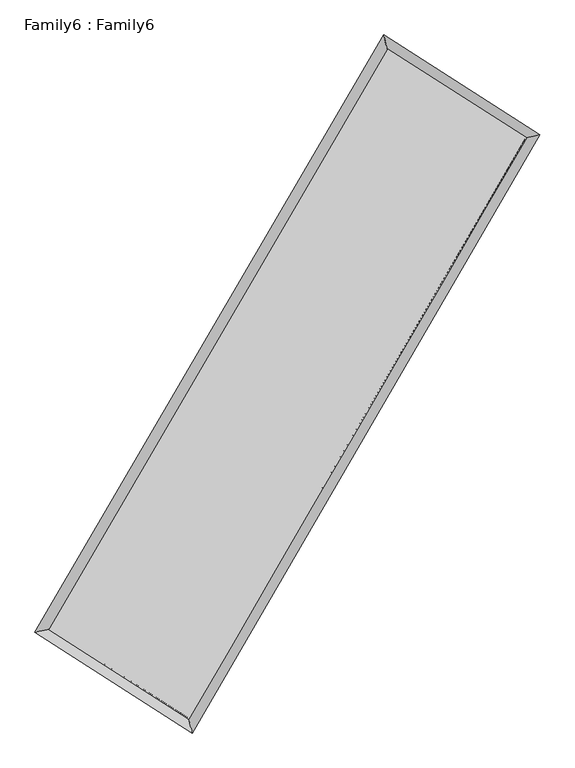
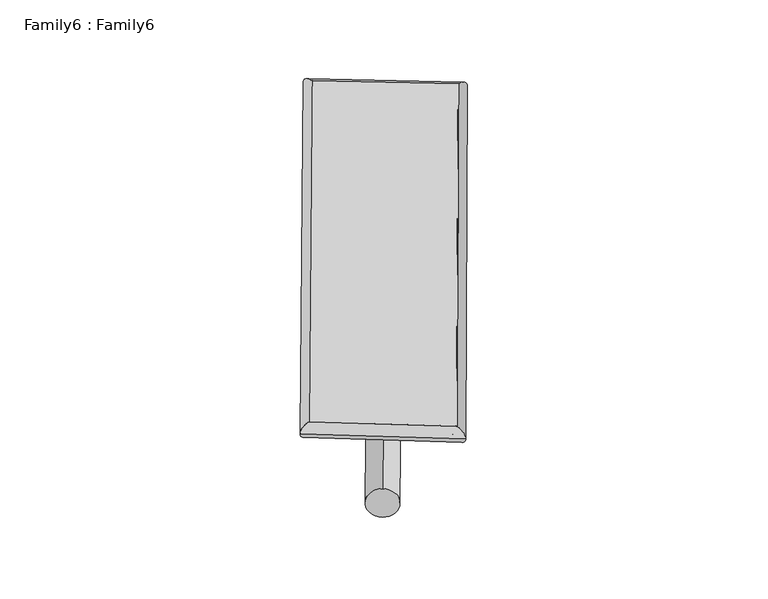
"""IFC4 building model written with IfcOpenShell, lengths in millimetres: plate geometry, Family6 : Family6."""

import ifcopenshell
import ifcopenshell.guid

model = None  # the IFC model being written
_history = None  # IfcOwnerHistory: only IFC2X3 demands one
_inside = {}  # id of a spatial element -> (the spatial element, [elements in it])
_under = {}  # id of a project, library or spatial element -> (it, [spatial elements below it])
_declared = {}  # id of a project -> (the project, [libraries it declares])
_typed = {}  # id of a type object -> (the type object, [elements of that type])
_made_of = {}  # id of a material, layer set ... -> (it, [elements and type objects made of it])


def new_model(schema):
    """Start an empty IFC model of exactly this schema.

    Asked for "IFC4X3", IfcOpenShell would pick the latest addendum, in which some entities
    have other attributes; the version numbers below select the first issue.
    IFC2X3 requires an IfcOwnerHistory on every rooted entity: one is made here for all.
    """
    global model, _history
    if schema == "IFC4X3":
        model = ifcopenshell.file(schema_version=(4, 3, 0, 0))
    else:
        model = ifcopenshell.file(schema=schema)
    _inside.clear()
    _under.clear()
    _declared.clear()
    _typed.clear()
    _made_of.clear()
    _history = None
    if model.schema == "IFC2X3":
        org = make("IfcOrganization", Name="unknown")
        user = make(
            "IfcPersonAndOrganization",
            ThePerson=make("IfcPerson", FamilyName="unknown"),
            TheOrganization=org,
        )
        app = make(
            "IfcApplication",
            ApplicationDeveloper=org,
            Version="unknown",
            ApplicationFullName="unknown",
            ApplicationIdentifier="unknown",
        )
        _history = make(
            "IfcOwnerHistory",
            OwningUser=user,
            OwningApplication=app,
            ChangeAction="ADDED",
            CreationDate=0,
        )
    return model


def make(cls, **values):
    """One entity of the class cls with the attributes given. An attribute that is None is left unset."""
    return model.create_entity(
        cls, **{name: value for name, value in values.items() if value is not None}
    )


def rooted(cls, **values):
    """An entity with a GlobalId (a new one), such as an element, a storey or a relation."""
    return make(cls, GlobalId=ifcopenshell.guid.new(), OwnerHistory=_history, **values)


def si_unit(unit_type, name, prefix=None):
    """IfcSIUnit, for example si_unit("LENGTHUNIT", "METRE", prefix="MILLI")."""
    return make("IfcSIUnit", UnitType=unit_type, Prefix=prefix, Name=name)


def assignment(units):
    """IfcUnitAssignment: the units of a project."""
    return None if units is None else make("IfcUnitAssignment", Units=units)


def point(xyz):
    """IfcCartesianPoint."""
    return None if xyz is None else make("IfcCartesianPoint", Coordinates=xyz)


def direction(xyz):
    """IfcDirection."""
    return None if xyz is None else make("IfcDirection", DirectionRatios=xyz)


def frame(location, z_axis=None, x_axis=None):
    """IfcAxis2Placement3D, a coordinate frame: its origin and axes. An axis left out is left unset."""
    return make(
        "IfcAxis2Placement3D",
        Location=point(location),
        Axis=direction(z_axis),
        RefDirection=direction(x_axis),
    )


def frame_2d(location, x_axis=None):
    """IfcAxis2Placement2D, a coordinate frame in the plane: its origin and x axis."""
    return make(
        "IfcAxis2Placement2D", Location=point(location), RefDirection=direction(x_axis)
    )


def origin():
    """The frame at (0, 0, 0) with its axes left unset."""
    return frame((0.0, 0.0, 0.0))


def origin_2d():
    """The frame at (0, 0) in the plane with its x axis left unset."""
    return frame_2d((0.0, 0.0))


def place(relative_to, where):
    """IfcLocalPlacement: puts the frame where relative to a parent placement (None: the world)."""
    return make(
        "IfcLocalPlacement", PlacementRelTo=relative_to, RelativePlacement=where
    )


def context(
    kind, dimensions, precision=None, world=None, true_north=None, identifier=None
):
    """IfcGeometricRepresentationContext, for example the 3D "Model" context."""
    return make(
        "IfcGeometricRepresentationContext",
        ContextIdentifier=identifier,
        ContextType=kind,
        CoordinateSpaceDimension=dimensions,
        Precision=precision,
        WorldCoordinateSystem=world,
        TrueNorth=true_north,
    )


def project(units=None, contexts=None):
    """IfcProject with its units and contexts."""
    return rooted(
        "IfcProject",
        Name="project",
        RepresentationContexts=contexts,
        UnitsInContext=assignment(units),
    )


def spatial(cls, under=None, at=None, **own):
    """A site, building, storey or space (cls), placed at a placement, below another one or the project."""
    s = rooted(cls, ObjectPlacement=at, **own)
    if under is not None:
        _under.setdefault(under.id(), (under, []))[1].append(s)
    return s


def circle_curve(where, radius):
    """IfcCircle in the frame where."""
    return make("IfcCircle", Position=where, Radius=radius)


def ellipse_curve(where, semi_axis1, semi_axis2):
    """IfcEllipse in the frame where."""
    return make(
        "IfcEllipse", Position=where, SemiAxis1=semi_axis1, SemiAxis2=semi_axis2
    )


def trimmed(basis, trim1, trim2, sense, master):
    """IfcTrimmedCurve: the piece of a basis curve between two trims."""
    return make(
        "IfcTrimmedCurve",
        BasisCurve=basis,
        Trim1=trim1,
        Trim2=trim2,
        SenseAgreement=sense,
        MasterRepresentation=master,
    )


def segment(curve, same_sense, transition):
    """IfcCompositeCurveSegment."""
    return make(
        "IfcCompositeCurveSegment",
        Transition=transition,
        SameSense=same_sense,
        ParentCurve=curve,
    )


def composite_curve(segments, self_intersect=None):
    """IfcCompositeCurve: segments joined end to end."""
    return make("IfcCompositeCurve", Segments=segments, SelfIntersect=self_intersect)


def outline(outer, holes=None, kind="AREA"):
    """IfcArbitraryClosedProfileDef: a profile drawn as a closed curve; with holes, ...WithVoids."""
    if holes is None:
        return make("IfcArbitraryClosedProfileDef", ProfileType=kind, OuterCurve=outer)
    return make(
        "IfcArbitraryProfileDefWithVoids",
        ProfileType=kind,
        OuterCurve=outer,
        InnerCurves=holes,
    )


def extrude(swept, where, along, depth):
    """IfcExtrudedAreaSolid: the profile swept, set in the frame where, extruded along a direction by depth."""
    return make(
        "IfcExtrudedAreaSolid",
        SweptArea=swept,
        Position=where,
        ExtrudedDirection=direction(along),
        Depth=depth,
    )


def shape(context_of_items, identifier, shape_type, items):
    """IfcShapeRepresentation: the items that make up one representation, for example the "Body"."""
    return make(
        "IfcShapeRepresentation",
        ContextOfItems=context_of_items,
        RepresentationIdentifier=identifier,
        RepresentationType=shape_type,
        Items=items,
    )


def source(mapping_origin, context_of_items, identifier, shape_type, items):
    """IfcRepresentationMap: a shape defined once, which mapped items show again and again."""
    return make(
        "IfcRepresentationMap",
        MappingOrigin=mapping_origin,
        MappedRepresentation=shape(context_of_items, identifier, shape_type, items),
    )


def transform(
    local_origin,
    x_axis=None,
    y_axis=None,
    z_axis=None,
    scale=None,
    scale2=None,
    scale3=None,
    uniform=True,
):
    """IfcCartesianTransformationOperator3D, or its non-uniform kind. x_axis, y_axis, z_axis: its Axis1, 2, 3."""
    if uniform:
        return make(
            "IfcCartesianTransformationOperator3D",
            Axis1=direction(x_axis),
            Axis2=direction(y_axis),
            LocalOrigin=point(local_origin),
            Scale=scale,
            Axis3=direction(z_axis),
        )
    return make(
        "IfcCartesianTransformationOperator3DnonUniform",
        Axis1=direction(x_axis),
        Axis2=direction(y_axis),
        LocalOrigin=point(local_origin),
        Scale=scale,
        Axis3=direction(z_axis),
        Scale2=scale2,
        Scale3=scale3,
    )


def mapped(mapping_source, mapping_target):
    """IfcMappedItem: shows the shape of a source again, moved by a transform."""
    return make(
        "IfcMappedItem", MappingSource=mapping_source, MappingTarget=mapping_target
    )


def made_of(thing, what):
    """Note that an element or type object is made of a material, layer set ...; save() writes the relation."""
    if what is not None:
        _made_of.setdefault(what.id(), (what, []))[1].append(thing)
    return thing


def element(
    cls,
    number,
    at=None,
    inside=None,
    cuts=None,
    type_object=None,
    material=None,
    context=None,
    identifier="Body",
    shape_type=None,
    held_by="IfcProductDefinitionShape",
    body=None,
    shapes=None,
    **own,
):
    """One element of the class cls, such as IfcWall. Its Tag is "e" and its number.

    at: its placement. inside: the storey or other place that contains it. cuts: it is an
    opening in that element (IfcRelVoidsElement). A single representation is given by context,
    identifier, shape_type and body (its items); several are given by shapes. held_by: the class
    of the entity that holds the representations. save() writes the other relations.
    """
    e = rooted(cls, Tag="e%d" % number, ObjectPlacement=at, **own)
    if body is not None:
        shapes = [shape(context, identifier, shape_type, body)]
    if shapes is not None:
        e.Representation = make(held_by, Representations=shapes)
    if inside is not None:
        _inside.setdefault(inside.id(), (inside, []))[1].append(e)
    if cuts is not None:
        rooted(
            "IfcRelVoidsElement", RelatingBuildingElement=cuts, RelatedOpeningElement=e
        )
    if type_object is not None:
        _typed.setdefault(type_object.id(), (type_object, []))[1].append(e)
    return made_of(e, material)


def aggregate(whole, parts):
    """IfcRelAggregates: a whole, such as a stair, and the parts it consists of."""
    return rooted("IfcRelAggregates", RelatingObject=whole, RelatedObjects=parts)


def save(model, path):
    """Write the relations noted so far, then the file.

    IfcRelAggregates (storeys below a building ...), IfcRelContainedInSpatialStructure (elements
    in a storey), IfcRelDefinesByType, IfcRelAssociatesMaterial and IfcRelDeclares: one each for
    every whole, place, type object, material and project.
    """
    for whole, parts in _under.values():
        aggregate(whole, parts)
    for where, things in _inside.values():
        rooted(
            "IfcRelContainedInSpatialStructure",
            RelatedElements=things,
            RelatingStructure=where,
        )
    for kind, things in _typed.values():
        rooted("IfcRelDefinesByType", RelatedObjects=things, RelatingType=kind)
    for what, things in _made_of.values():
        rooted("IfcRelAssociatesMaterial", RelatedObjects=things, RelatingMaterial=what)
    for by, libraries in _declared.values():
        rooted("IfcRelDeclares", RelatingContext=by, RelatedDefinitions=libraries)
    model.write(path)


def plane_surface(at):
    """IfcPlane: the flat surface through the origin of the frame at, square to its z axis."""
    return make("IfcPlane", Position=at)


def cylinder_surface(at, radius):
    """IfcCylindricalSurface: all points at the distance radius from the z axis of the frame at."""
    return make("IfcCylindricalSurface", Position=at, Radius=radius)


def spline_surface(u_degree, v_degree, points, u_multiplicities, v_multiplicities, u_knots, v_knots, weights=None):
    """IfcBSplineSurfaceWithKnots; with weights, IfcRationalBSplineSurfaceWithKnots. points: one row for each step in u."""
    own = dict(
        UDegree=u_degree,
        VDegree=v_degree,
        ControlPointsList=[[point(p) for p in row] for row in points],
        SurfaceForm="UNSPECIFIED",
        UClosed=False,
        VClosed=False,
        SelfIntersect=False,
        UMultiplicities=u_multiplicities,
        VMultiplicities=v_multiplicities,
        UKnots=u_knots,
        VKnots=v_knots,
        KnotSpec="UNSPECIFIED",
    )
    if weights is None:
        return make("IfcBSplineSurfaceWithKnots", **own)
    return make("IfcRationalBSplineSurfaceWithKnots", WeightsData=weights, **own)


def advanced_brep(points, edges, surfaces, faces):
    """IfcAdvancedBrep: a solid bounded by faces that lie on surfaces and meet in shared edges.

    An edge is (start, end): straight between two places in points (the first is 0);
    or (start, end, curve); or (start, end, curve, False) where it runs against its curve.
    A face is (place in surfaces, loops), or (place, loops, False) where it looks against
    its surface's normal. A loop lists edges by number (the first is 1), with a minus sign
    where the edge is run from its end to its start. The first loop is the outer one.
    """
    corners = [point(p) for p in points]
    vertices = [make("IfcVertexPoint", VertexGeometry=c) for c in corners]
    made = []
    for start, end, *more in edges:
        made.append(
            make(
                "IfcEdgeCurve",
                EdgeStart=vertices[start],
                EdgeEnd=vertices[end],
                EdgeGeometry=more[0] if more else make("IfcPolyline", Points=[corners[start], corners[end]]),
                SameSense=more[1] if len(more) > 1 else True,
            )
        )
    hull = []
    for where, loops, *sense in faces:
        bounds = []
        for j, loop in enumerate(loops):
            ring = [make("IfcOrientedEdge", EdgeElement=made[abs(k) - 1], Orientation=k > 0) for k in loop]
            bounds.append(
                make(
                    "IfcFaceOuterBound" if j == 0 else "IfcFaceBound",
                    Bound=make("IfcEdgeLoop", EdgeList=ring),
                    Orientation=True,
                )
            )
        hull.append(make("IfcAdvancedFace", Bounds=bounds, FaceSurface=surfaces[where], SameSense=sense[0] if sense else True))
    return make("IfcAdvancedBrep", Outer=make("IfcClosedShell", CfsFaces=hull))


def family6_family6_60cc4148(model_context):
    return source(origin(), model_context, "Body", "SolidModel", [
        extrude(outline(composite_curve([segment(trimmed(circle_curve(origin_2d(), 76.2), [point((-75.4341514, -10.7763073))], [point((75.4341514, 10.7763073))], False, "CARTESIAN"), True, "CONTINUOUS"), segment(trimmed(circle_curve(origin_2d(), 76.2), [point((75.4341514, 10.7763073))], [point((-75.4341514, -10.7763073))], False, "CARTESIAN"), True, "CONTINUOUS")], self_intersect=False)), frame((9144.0, 9144.0, 0.0), z_axis=(0.6697360267739774, 0.6892470654236688, 0.27639127563269317), x_axis=(-0.6814511566897509, 0.7183329946310508, -0.14007865601363922)), (0.0, 0.0, 1.0), 5532.2531619),
        extrude(outline(composite_curve([segment(trimmed(circle_curve(origin_2d(), 76.2), [point((-53.8815368, 53.8815368))], [point((53.8815368, -53.8815368))], False, "CARTESIAN"), True, "CONTINUOUS"), segment(trimmed(circle_curve(origin_2d(), 76.2), [point((53.8815368, -53.8815368))], [point((-53.8815368, 53.8815368))], False, "CARTESIAN"), True, "CONTINUOUS")], self_intersect=False)), frame((9144.0, 9144.0, 0.0), z_axis=(-0.6711611092395438, -0.6878750001850447, 0.2763525819759429), x_axis=(0.6439600099315682, -0.3563236712651016, 0.6770147316750902)), (0.0, 0.0, 1.0), 5533.121151),
        extrude(outline(composite_curve([segment(trimmed(circle_curve(origin_2d(), 76.2), [point((-53.8815367, -53.8815367))], [point((53.8815367, 53.8815367))], False, "CARTESIAN"), True, "CONTINUOUS"), segment(trimmed(circle_curve(origin_2d(), 76.2), [point((53.8815367, 53.8815367))], [point((-53.8815367, -53.8815367))], False, "CARTESIAN"), True, "CONTINUOUS")], self_intersect=False)), frame((9144.0, 9144.0, 0.0), z_axis=(0.27377610290664495, 0.9232757798221881, 0.26945960712318373), x_axis=(-0.8395062865746822, 0.36611092284026453, -0.40148721894804784)), (0.0, 0.0, 1.0), 5626.0515077),
        extrude(outline(composite_curve([segment(trimmed(circle_curve(origin_2d(), 76.2), [point((-75.4341514, 10.7763074))], [point((75.4341514, -10.7763074))], False, "CARTESIAN"), True, "CONTINUOUS"), segment(trimmed(circle_curve(origin_2d(), 76.2), [point((75.4341514, -10.7763074))], [point((-75.4341514, 10.7763074))], False, "CARTESIAN"), True, "CONTINUOUS")], self_intersect=False)), frame((9144.0, 9144.0, 0.0), z_axis=(-0.27216606613197714, -0.9238233652146433, 0.2692137112587998), x_axis=(0.8796877390477281, -0.12549398338947823, 0.4586946063582366)), (0.0, 0.0, 1.0), 5631.6908145),
        advanced_brep(
        [(5225.0502381, 5288.4384681, 1528.0545494), (5225.0447488, 5288.430951, 1530.3726299), (5635.7183033, 5387.3701063, 1530.1300835), (10735.9615565, 14124.6421345, 1517.4144691), (10632.5953565, 14552.1520516, 1514.5727888), (5635.7237926, 5387.3776234, 1527.812003), (12643.9391306, 12907.2464451, 1528.9360625), (13054.3593729, 13006.9320689, 1529.1969546), (7559.4137202, 4155.474183, 1516.3767995), (7663.0760105, 3727.1506968, 1515.8799702)],
        [
            (0, 1, ellipse_curve(frame((5430.3842707, 5337.9042872, 1529.0923165), z_axis=(-0.23421561055263307, 0.9721812065138037, 0.0025979751388385537), x_axis=(-0.9721717930620375, -0.23422542837324414, 0.004522552145993037)), 211.2194753, 152.4)),
            (1, 2, ellipse_curve(frame((5430.3842707, 5337.9042872, 1529.0923165), z_axis=(-0.23421561055263307, 0.9721812065138037, 0.0025979751388385537), x_axis=(-0.9721717930620375, -0.23422542837324414, 0.004522552145993037)), 211.2194753, 152.4)),
            (2, 3),
            (3, 4, ellipse_curve(frame((10684.2784565, 14338.397093, 1515.9936289), z_axis=(-0.971983905171251, -0.23503113979623666, -0.002766118964636175), x_axis=(0.23501792591466455, -0.9719810676538773, 0.004402115536646457)), 219.9194529, 152.4)),
            (4, 0),
            (2, 5, ellipse_curve(frame((5430.3842707, 5337.9042872, 1529.0923165), z_axis=(-0.23421561055263307, 0.9721812065138037, 0.0025979751388385537), x_axis=(-0.9721717930620375, -0.23422542837324414, 0.004522552145993037)), 211.2194753, 152.4)),
            (5, 0, ellipse_curve(frame((5430.3842707, 5337.9042872, 1529.0923165), z_axis=(-0.23421561055263307, 0.9721812065138037, 0.0025979751388385537), x_axis=(-0.9721717930620375, -0.23422542837324414, 0.004522552145993037)), 211.2194753, 152.4)),
            (4, 3, ellipse_curve(frame((10684.2784565, 14338.397093, 1515.9936289), z_axis=(-0.971983905171251, -0.23503113979623666, -0.002766118964636175), x_axis=(0.23501792591466455, -0.9719810676538773, 0.004402115536646457)), 219.9194529, 152.4)),
            (3, 6),
            (6, 7, ellipse_curve(frame((12849.1492518, 12957.089257, 1529.0665085), z_axis=(-0.23602202207138887, 0.9717440459120313, -0.00266727048662682), x_axis=(-0.9717344620903172, -0.23603224680267462, -0.004573145014438144)), 211.1780261, 152.4)),
            (7, 4),
            (7, 6, ellipse_curve(frame((12849.1492518, 12957.089257, 1529.0665085), z_axis=(-0.23602202207138887, 0.9717440459120313, -0.00266727048662682), x_axis=(-0.9717344620903172, -0.23603224680267462, -0.004573145014438144)), 211.1780261, 152.4)),
            (6, 8),
            (8, 9, ellipse_curve(frame((7611.2448653, 3941.3124399, 1516.1283848), z_axis=(0.9719359646631499, 0.23522982875841747, -0.0027218112715652327), x_axis=(-0.2352170601828344, 0.9719332451864551, 0.004324523126432385)), 220.345916, 152.4)),
            (9, 7),
            (9, 8, ellipse_curve(frame((7611.2448653, 3941.3124399, 1516.1283848), z_axis=(0.9719359646631499, 0.23522982875841747, -0.0027218112715652327), x_axis=(-0.2352170601828344, 0.9719332451864551, 0.004324523126432385)), 220.345916, 152.4)),
            (8, 5),
            (1, 9),
        ],
        [
            cylinder_surface(frame((5430.3842707, 5337.9042872, 1529.0923165), z_axis=(-0.5041288175484799, -0.863627556075101, 0.0012568631268703853), x_axis=(-0.8636055732079722, 0.5041043201985851, -0.008015502557676963)), 152.4),
            cylinder_surface(frame((10684.2784565, 14338.397093, 1515.9936289), z_axis=(-0.8430039182876055, 0.537883332661655, -0.005090598838596886), x_axis=(0.5379032226017864, 0.8429969787715507, -0.0040270208157794475)), 152.4),
            cylinder_surface(frame((12849.1492518, 12957.089257, 1529.0665085), z_axis=(0.5023457842797301, 0.8646659316333934, 0.0012408420282186538), x_axis=(0.864666757351777, -0.5023457842797301, -0.0003342860247823235)), 152.4),
            cylinder_surface(frame((7611.2448653, 3941.3124399, 1516.1283848), z_axis=(0.8421133617486508, -0.5392773194293462, -0.005005867905296125), x_axis=(-0.5392654221791049, -0.8421281754930616, 0.0035972882452208)), 152.4),
        ],
        [
            (0, [[1, 2, 3, 4, 5]]),
            (0, [[6, 7, -5, 8, -3]]),
            (1, [[-4, 9, 10, 11]]),
            (1, [[-8, -11, 12, -9]]),
            (2, [[-10, 13, 14, 15]]),
            (2, [[-12, -15, 16, -13]]),
            (3, [[-14, 17, -6, -2, 18]]),
            (3, [[-16, -18, -1, -7, -17]]),
        ],
    ),
        extrude(outline(composite_curve([segment(trimmed(circle_curve(origin_2d(), 304.8), [point((0.0, -304.8))], [point((1e-07, 304.8))], False, "CARTESIAN"), True, "CONTINUOUS"), segment(trimmed(circle_curve(origin_2d(), 304.8), [point((1e-07, 304.8))], [point((0.0, -304.8))], False, "CARTESIAN"), True, "CONTINUOUS")], self_intersect=False)), frame((6508.0450905, 4633.8355217, -0.0005393), z_axis=(0.5045886379667284, 0.8633598939230798, 1.0323215893968751e-07), x_axis=(-0.8633598939230854, 0.5045886379667284, 2.7954757770423502e-08)), (0.0, 0.0, 1.0), 10447.9360461),
        advanced_brep(
        [(5430.3842707, 5337.9042872, 1529.0923165), (7611.2448653, 3941.3124399, 1516.1283848), (7611.24547, 3941.3134009, 1668.5283848), (5430.3848754, 5337.9052482, 1681.4923165), (12849.1492518, 12957.089257, 1529.0665085), (12849.1498564, 12957.090218, 1681.4665085), (10684.2784565, 14338.397093, 1515.9936289), (10684.2790612, 14338.398054, 1668.3936289)],
        [
            (0, 1),
            (1, 2),
            (2, 3),
            (3, 0),
            (1, 4),
            (4, 5),
            (5, 2),
            (4, 6),
            (6, 7),
            (7, 5),
            (6, 0),
            (3, 7),
        ],
        [
            plane_surface(frame((6520.814568, 4639.6083636, 1522.6103507), z_axis=(-0.5392840449336916, -0.8421239331740052, 7.449827724865729e-06), x_axis=(0.8421133617486509, -0.5392773194293459, -0.0050058679052961295))),
            plane_surface(frame((10230.1970586, 8449.2008485, 1522.5974467), z_axis=(0.8646665974563743, -0.5023461707260716, -2.6303217358955144e-07), x_axis=(0.5023457842797299, 0.8646659316333934, 0.0012408420282186505))),
            plane_surface(frame((11766.7138541, 13647.743175, 1522.5300687), z_axis=(0.5378903341607412, 0.8430148209616158, -7.449915672174453e-06), x_axis=(-0.8430039182876056, 0.5378833326616549, -0.005090598838596889))),
            plane_surface(frame((8057.3313636, 9838.1506901, 1522.5429727), z_axis=(-0.8636282380573038, 0.5041292160051587, 2.476690665638567e-07), x_axis=(-0.50412881754848, -0.863627556075101, 0.001256863126870384))),
            spline_surface(1, 1, [[(7611.24547, 3941.3134009, 1668.5283848), (5430.3848754, 5337.9052482, 1681.4923165)], [(12849.1498564, 12957.090218, 1681.4665085), (10684.2790612, 14338.398054, 1668.3936289)]], [2, 2], [2, 2], [0.0, 1.0], [0.0, 1.0]),
            spline_surface(1, 1, [[(10684.2784565, 14338.397093, 1515.9936289), (5430.3842707, 5337.9042872, 1529.0923165)], [(12849.1492518, 12957.089257, 1529.0665085), (7611.2448653, 3941.3124399, 1516.1283848)]], [2, 2], [2, 2], [0.0, 1.0], [0.0, 1.0]),
        ],
        [
            (0, [[1, 2, 3, 4]]),
            (1, [[5, 6, 7, -2]]),
            (2, [[8, 9, 10, -6]]),
            (3, [[11, -4, 12, -9]]),
            (4, [[-3, -7, -10, -12]]),
            (5, [[-11, -8, -5, -1]]),
        ],
    ),
    ])


if __name__ == "__main__":
    model = new_model("IFC4")
    model_context = context("Model", 3, world=origin())
    ifc_project = project(units=[si_unit("LENGTHUNIT", "METRE", prefix="MILLI")], contexts=[model_context])
    site = spatial("IfcSite", under=ifc_project)
    building = spatial("IfcBuilding", under=site)
    placement = place(None, origin())
    family6_family6_shape = family6_family6_60cc4148(model_context)
    element("IfcPlate", 1, ObjectType="Family6 : Family6", at=placement, inside=building, context=model_context, shape_type="MappedRepresentation", body=[
        mapped(family6_family6_shape, transform((0.0, 0.0, 0.0), x_axis=(1.0, 0.0, 0.0), y_axis=(0.0, 1.0, 0.0), z_axis=(0.0, 0.0, 1.0))),
    ])
    save(model, "model.ifc")
